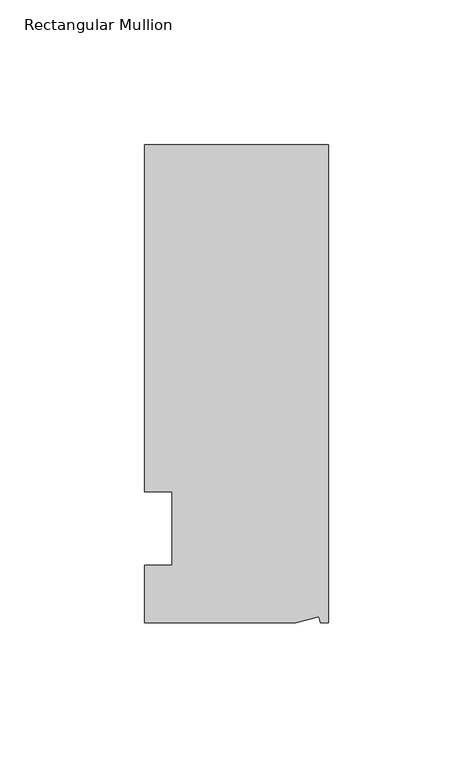
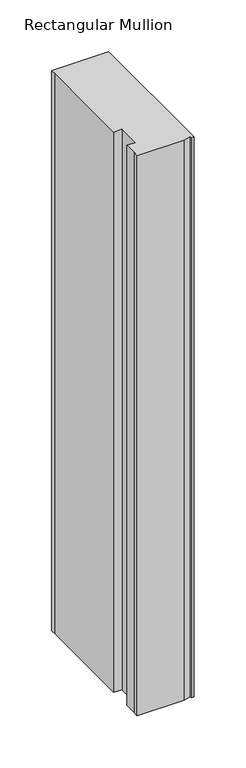
"""IFC4 building model written with IfcOpenShell, lengths in millimetres: member geometry, Rectangular Mullion."""

from ifc_helpers import new_model, si_unit, frame, origin, place, context, project, spatial, polyline, outline, extrude, source, transform, mapped, element, save


def rectangular_mullion_ef32e56b(model_context):
    return source(origin(), model_context, "Body", "SweptSolid", [
        extrude(outline(polyline([(0.0, 132.5561012), (0.0, -32.5438988), (-2.7616541, -32.5438988), (-3.3341886, -30.4622958), (-11.121847, -32.5438988), (-63.5, -32.5438988), (-63.5, -26.1938988), (-63.5, -12.5945801), (-53.975, -12.5945801), (-53.975, 12.8054199), (-63.5, 12.8054199), (-63.5, 126.2061012), (-63.5, 132.5561012), (0.0, 132.5561012)])), frame((0.0, 0.0, -660.4), z_axis=(0.0, 0.0, 1.0), x_axis=(1.0, 0.0, 0.0)), (0.0, 0.0, 1.0), 660.4),
    ])


if __name__ == "__main__":
    model = new_model("IFC4")
    model_context = context("Model", 3, world=origin())
    ifc_project = project(units=[si_unit("LENGTHUNIT", "METRE", prefix="MILLI")], contexts=[model_context])
    site = spatial("IfcSite", under=ifc_project)
    building = spatial("IfcBuilding", under=site)
    placement = place(None, origin())
    rectangular_mullion_shape = rectangular_mullion_ef32e56b(model_context)
    element("IfcMember", 1, ObjectType="Rectangular Mullion", at=placement, inside=building, context=model_context, shape_type="MappedRepresentation", body=[
        mapped(rectangular_mullion_shape, transform((0.0, 0.0, 0.0), x_axis=(1.0, 0.0, 0.0), y_axis=(0.0, 1.0, 0.0), z_axis=(0.0, 0.0, 1.0))),
    ])
    save(model, "model.ifc")
